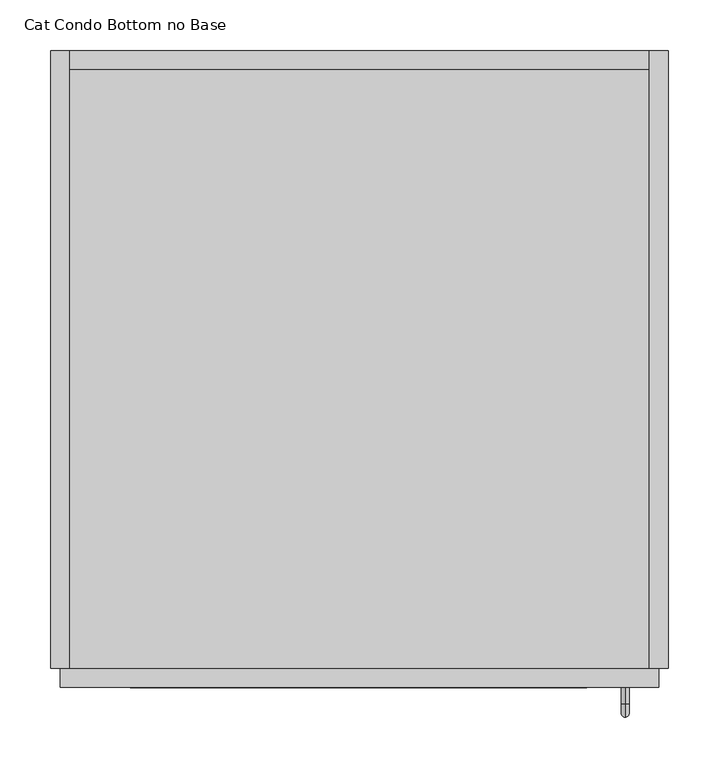
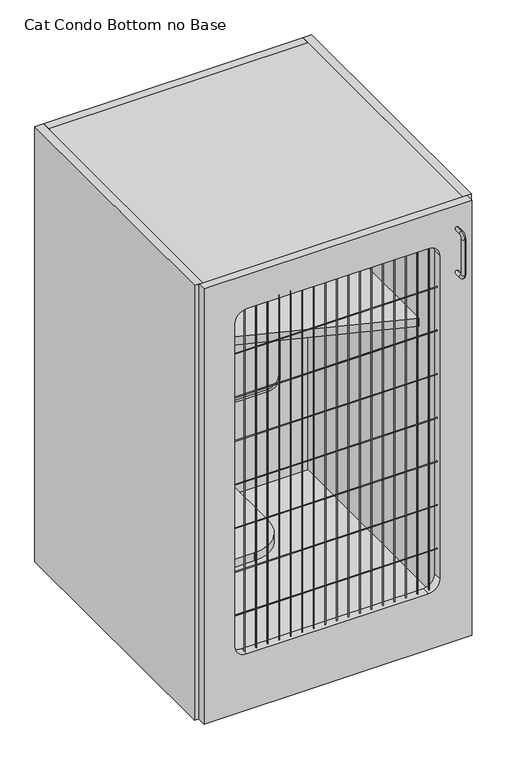
"""IFC4 building model written with IfcOpenShell, lengths in millimetres: proxy geometry, Cat Condo Bottom no Base."""

from ifc_helpers import new_model, si_unit, point, frame, frame_2d, origin, place, context, project, spatial, polyline, circle_curve, ellipse_curve, trimmed, segment, composite_curve, outline, extrude, source, transform, mapped, element, save
from ifc_brep_helpers import plane_surface, cylinder_surface, revolved_surface, advanced_brep


def cat_condo_bottom_no_base_3cb4c1c4(model_context):
    return source(origin(), model_context, "Body", "SolidModel", [
        advanced_brep(
        [(567.1128423, -19.05, 1056.5243154), (567.1128423, -19.05, 1064.3756846), (567.1128423, -35.2117768, 1056.5243154), (567.1128423, -35.2117768, 1064.3756846), (567.1128423, -48.3756846, 1051.2117768), (567.1128423, -40.5243154, 1051.2117768), (567.1128423, -40.5243154, 968.0882232), (567.1128423, -48.3756846, 968.0882232), (567.1128423, -35.2117768, 954.9243154), (567.1128423, -35.2117768, 962.7756846), (567.1128423, -19.05, 962.7756846), (567.1128423, -19.05, 954.9243154)],
        [
            (0, 1, circle_curve(frame((567.1128423, -19.05, 1060.45), z_axis=(0.0, 1.0, 0.0), x_axis=(0.0, 0.0, 1.0)), 3.9256846)),
            (1, 0, circle_curve(frame((567.1128423, -19.05, 1060.45), z_axis=(0.0, 1.0, 0.0), x_axis=(0.0, 0.0, 1.0)), 3.9256846)),
            (0, 2),
            (2, 3, circle_curve(frame((567.1128423, -35.2117768, 1060.45), z_axis=(0.0, 1.0, 0.0), x_axis=(0.0, 0.0, 1.0)), 3.9256846)),
            (3, 1),
            (3, 2, circle_curve(frame((567.1128423, -35.2117768, 1060.45), z_axis=(0.0, 1.0, 0.0), x_axis=(0.0, 0.0, 1.0)), 3.9256846)),
            (4, 3, circle_curve(frame((567.1128423, -35.2117768, 1051.2117768), z_axis=(-1.0, 0.0, 0.0), x_axis=(0.0, 0.0, 1.0)), 13.1639078)),
            (2, 5, circle_curve(frame((567.1128423, -35.2117768, 1051.2117768), z_axis=(1.0, 0.0, 0.0), x_axis=(0.0, 0.0, 1.0)), 5.3125387)),
            (5, 4, circle_curve(frame((567.1128423, -44.45, 1051.2117768), z_axis=(0.0, 0.0, 1.0), x_axis=(0.0, -1.0, 0.0)), 3.9256846)),
            (4, 5, circle_curve(frame((567.1128423, -44.45, 1051.2117768), z_axis=(0.0, 0.0, 1.0), x_axis=(0.0, -1.0, 0.0)), 3.9256846)),
            (5, 6),
            (6, 7, circle_curve(frame((567.1128423, -44.45, 968.0882232), z_axis=(0.0, 0.0, 1.0), x_axis=(0.0, -1.0, 0.0)), 3.9256846)),
            (7, 4),
            (7, 6, circle_curve(frame((567.1128423, -44.45, 968.0882232), z_axis=(0.0, 0.0, 1.0), x_axis=(0.0, -1.0, 0.0)), 3.9256846)),
            (8, 7, circle_curve(frame((567.1128423, -35.2117768, 968.0882232), z_axis=(-1.0, 0.0, 0.0), x_axis=(0.0, -1.0, 0.0)), 13.1639078)),
            (6, 9, circle_curve(frame((567.1128423, -35.2117768, 968.0882232), z_axis=(1.0, 0.0, 0.0), x_axis=(0.0, -1.0, 0.0)), 5.3125387)),
            (9, 8, circle_curve(frame((567.1128423, -35.2117768, 958.85), z_axis=(0.0, -1.0, 0.0), x_axis=(0.0, 0.0, -1.0)), 3.9256846)),
            (8, 9, circle_curve(frame((567.1128423, -35.2117768, 958.85), z_axis=(0.0, -1.0, 0.0), x_axis=(0.0, 0.0, -1.0)), 3.9256846)),
            (10, 11, circle_curve(frame((567.1128423, -19.05, 958.85), z_axis=(0.0, 1.0, 0.0), x_axis=(0.0, 0.0, -1.0)), 3.9256846)),
            (11, 10, circle_curve(frame((567.1128423, -19.05, 958.85), z_axis=(0.0, 1.0, 0.0), x_axis=(0.0, 0.0, -1.0)), 3.9256846)),
            (9, 10),
            (11, 8),
        ],
        [
            plane_surface(frame((567.1128423, -19.05, 1060.45), z_axis=(0.0, 1.0, 0.0), x_axis=(1.0, 0.0, 0.0))),
            cylinder_surface(frame((567.1128423, -19.05, 1060.45), z_axis=(0.0, 1.0, 0.0), x_axis=(0.0, 0.0, 1.0)), 3.9256846),
            revolved_surface(trimmed(ellipse_curve(frame((567.1128423, -35.2117768, 1060.45), z_axis=(0.0, 1.0, 0.0), x_axis=(0.0, 0.0, 1.0)), 3.9256846, 3.9256846), [point((567.1128423, -35.2117768, 1056.5243154))], [point((567.1128423, -35.2117768, 1064.3756846))], True, "CARTESIAN"), (567.1128423, -35.2117768, 1051.2117768), (1.0, 0.0, 0.0)),
            revolved_surface(trimmed(ellipse_curve(frame((567.1128423, -35.2117768, 1060.45), z_axis=(0.0, 1.0, 0.0), x_axis=(0.0, 0.0, 1.0)), 3.9256846, 3.9256846), [point((567.1128423, -35.2117768, 1064.3756846))], [point((567.1128423, -35.2117768, 1056.5243154))], True, "CARTESIAN"), (567.1128423, -35.2117768, 1051.2117768), (1.0, 0.0, 0.0)),
            cylinder_surface(frame((567.1128423, -44.45, 1051.2117768), z_axis=(0.0, 0.0, 1.0), x_axis=(0.0, -1.0, 0.0)), 3.9256846),
            revolved_surface(trimmed(ellipse_curve(frame((567.1128423, -44.45, 968.0882232), z_axis=(0.0, 0.0, 1.0), x_axis=(0.0, -1.0, 0.0)), 3.9256846, 3.9256846), [point((567.1128423, -40.5243154, 968.0882232))], [point((567.1128423, -48.3756846, 968.0882232))], True, "CARTESIAN"), (567.1128423, -35.2117768, 968.0882232), (1.0, 0.0, 0.0)),
            revolved_surface(trimmed(ellipse_curve(frame((567.1128423, -44.45, 968.0882232), z_axis=(0.0, 0.0, 1.0), x_axis=(0.0, -1.0, 0.0)), 3.9256846, 3.9256846), [point((567.1128423, -48.3756846, 968.0882232))], [point((567.1128423, -40.5243154, 968.0882232))], True, "CARTESIAN"), (567.1128423, -35.2117768, 968.0882232), (1.0, 0.0, 0.0)),
            plane_surface(frame((567.1128423, -19.05, 958.85), z_axis=(0.0, 1.0, 0.0), x_axis=(1.0, 0.0, 0.0))),
            cylinder_surface(frame((567.1128423, -35.2117768, 958.85), z_axis=(0.0, -1.0, 0.0), x_axis=(0.0, 0.0, -1.0)), 3.9256846),
        ],
        [
            (0, [[1, 2]]),
            (1, [[-1, 3, 4, 5]]),
            (1, [[-2, -5, 6, -3]]),
            (2, [[7, -4, 8, 9]]),
            (3, [[-8, -6, -7, 10]]),
            (4, [[-9, 11, 12, 13]]),
            (4, [[-10, -13, 14, -11]]),
            (5, [[15, -12, 16, 17]]),
            (6, [[-16, -14, -15, 18]]),
            (7, [[19, 20]]),
            (8, [[-17, 21, -20, 22]]),
            (8, [[-18, -22, -19, -21]]),
        ],
    ),
        extrude(outline(polyline([(590.55, 590.55), (590.55, 0.0), (19.05, 0.0), (19.05, 590.55), (590.55, 590.55)])), frame((0.0, 0.0, 1095.375), z_axis=(0.0, 0.0, 1.0), x_axis=(1.0, 0.0, 0.0)), (0.0, 0.0, 1.0), 19.05),
        extrude(outline(composite_curve([segment(polyline([(1035.05, 504.03125), (1035.05, 103.98125)]), True, "CONTINUOUS"), segment(trimmed(circle_curve(frame_2d((1009.65, 103.98125)), 25.4), [point((1035.05, 103.98125))], [point((1009.65, 78.58125))], False, "CARTESIAN"), True, "CONTINUOUS"), segment(polyline([(1009.65, 78.58125), (257.175, 78.58125)]), True, "CONTINUOUS"), segment(trimmed(circle_curve(frame_2d((257.175, 103.98125)), 25.4), [point((257.175, 78.58125))], [point((231.775, 103.98125))], False, "CARTESIAN"), True, "CONTINUOUS"), segment(polyline([(231.775, 103.98125), (231.775, 504.03125)]), True, "CONTINUOUS"), segment(trimmed(circle_curve(frame_2d((257.175, 504.03125)), 25.4), [point((231.775, 504.03125))], [point((257.175, 529.43125))], False, "CARTESIAN"), True, "CONTINUOUS"), segment(polyline([(257.175, 529.43125), (1009.65, 529.43125)]), True, "CONTINUOUS"), segment(trimmed(circle_curve(frame_2d((1009.65, 504.03125)), 25.4), [point((1009.65, 529.43125))], [point((1035.05, 504.03125))], False, "CARTESIAN"), True, "CONTINUOUS")], self_intersect=False)), frame((0.0, 596.9, 0.0), z_axis=(0.0, 1.0, 0.0), x_axis=(0.0, 0.0, 1.0)), (0.0, 0.0, 1.0), 6.35),
        extrude(outline(polyline([(1114.425, 590.55), (1114.425, 19.05), (101.6, 19.05), (101.6, 590.55), (1114.425, 590.55)]), holes=[composite_curve([segment(polyline([(1009.65, 529.43125), (358.775, 529.43125)]), True, "CONTINUOUS"), segment(trimmed(circle_curve(frame_2d((358.775, 504.03125)), 25.4), [point((358.775, 529.43125))], [point((333.375, 504.03125))], True, "CARTESIAN"), True, "CONTINUOUS"), segment(polyline([(333.375, 504.03125), (333.375, 103.98125)]), True, "CONTINUOUS"), segment(trimmed(circle_curve(frame_2d((358.775, 103.98125)), 25.4), [point((333.375, 103.98125))], [point((358.775, 78.58125))], True, "CARTESIAN"), True, "CONTINUOUS"), segment(polyline([(358.775, 78.58125), (1009.65, 78.58125)]), True, "CONTINUOUS"), segment(trimmed(circle_curve(frame_2d((1009.65, 103.98125)), 25.4), [point((1009.65, 78.58125))], [point((1035.05, 103.98125))], True, "CARTESIAN"), True, "CONTINUOUS"), segment(polyline([(1035.05, 103.98125), (1035.05, 504.03125)]), True, "CONTINUOUS"), segment(trimmed(circle_curve(frame_2d((1009.65, 504.03125)), 25.4), [point((1035.05, 504.03125))], [point((1009.65, 529.43125))], True, "CARTESIAN"), True, "CONTINUOUS")], self_intersect=False)]), frame((0.0, 590.55, 0.0), z_axis=(0.0, 1.0, 0.0), x_axis=(0.0, 0.0, 1.0)), (0.0, 0.0, 1.0), 19.05),
        extrude(outline(polyline([(590.55, 590.55), (590.55, 166.6410111), (19.05, 374.65), (19.05, 590.55), (590.55, 590.55)])), frame((0.0, 0.0, 711.2), z_axis=(0.0, 0.0, 1.0), x_axis=(1.0, 0.0, 0.0)), (0.0, 0.0, 1.0), 19.05),
        extrude(outline(composite_curve([segment(polyline([(222.25, 590.55), (222.25, 101.6)]), True, "CONTINUOUS"), segment(trimmed(circle_curve(frame_2d((146.05, 101.6)), 76.2), [point((222.25, 101.6))], [point((146.05, 25.4))], False, "CARTESIAN"), True, "CONTINUOUS"), segment(polyline([(146.05, 25.4), (19.05, 25.4), (19.05, 590.55), (222.25, 590.55)]), True, "CONTINUOUS")], self_intersect=False)), frame((0.0, 0.0, 406.4), z_axis=(0.0, 0.0, 1.0), x_axis=(1.0, 0.0, 0.0)), (0.0, 0.0, 1.0), 19.05),
        extrude(outline(polyline([(590.55, 0.0), (19.05, 0.0), (19.05, 590.55), (590.55, 590.55), (590.55, 0.0)])), frame((0.0, 0.0, 101.6), z_axis=(0.0, 0.0, 1.0), x_axis=(1.0, 0.0, 0.0)), (0.0, 0.0, 1.0), 19.05),
        extrude(outline(polyline([(590.55, 609.6), (609.6, 609.6), (609.6, 0.0), (590.55, 0.0), (590.55, 609.6)])), frame((0.0, 0.0, 101.6), z_axis=(0.0, 0.0, 1.0), x_axis=(1.0, 0.0, 0.0)), (0.0, 0.0, 1.0), 1012.825),
        extrude(outline(polyline([(19.05, 609.6), (19.05, 0.0), (0.0, 0.0), (0.0, 609.6), (19.05, 609.6)])), frame((0.0, 0.0, 101.6), z_axis=(0.0, 0.0, 1.0), x_axis=(1.0, 0.0, 0.0)), (0.0, 0.0, 1.0), 1012.825),
        extrude(outline(composite_curve([segment(trimmed(circle_curve(frame_2d((-9.6602248, 931.8625)), 0.79375), [point((-9.6602248, 932.65625))], [point((-9.6602248, 931.06875))], False, "CARTESIAN"), True, "CONTINUOUS"), segment(trimmed(circle_curve(frame_2d((-9.6602248, 931.8625)), 0.79375), [point((-9.6602248, 931.06875))], [point((-9.6602248, 932.65625))], False, "CARTESIAN"), True, "CONTINUOUS")], self_intersect=False)), frame((78.58125, 0.0, 0.0), z_axis=(1.0, 0.0, 0.0), x_axis=(0.0, 1.0, 0.0)), (0.0, 0.0, 1.0), 450.85),
        extrude(outline(composite_curve([segment(trimmed(circle_curve(frame_2d((-9.6602248, 830.2625)), 0.79375), [point((-9.6602248, 831.05625))], [point((-9.6602248, 829.46875))], False, "CARTESIAN"), True, "CONTINUOUS"), segment(trimmed(circle_curve(frame_2d((-9.6602248, 830.2625)), 0.79375), [point((-9.6602248, 829.46875))], [point((-9.6602248, 831.05625))], False, "CARTESIAN"), True, "CONTINUOUS")], self_intersect=False)), frame((78.58125, 0.0, 0.0), z_axis=(1.0, 0.0, 0.0), x_axis=(0.0, 1.0, 0.0)), (0.0, 0.0, 1.0), 450.85),
        extrude(outline(composite_curve([segment(trimmed(circle_curve(frame_2d((-9.6602248, 728.6625)), 0.79375), [point((-9.6602248, 729.45625))], [point((-9.6602248, 727.86875))], False, "CARTESIAN"), True, "CONTINUOUS"), segment(trimmed(circle_curve(frame_2d((-9.6602248, 728.6625)), 0.79375), [point((-9.6602248, 727.86875))], [point((-9.6602248, 729.45625))], False, "CARTESIAN"), True, "CONTINUOUS")], self_intersect=False)), frame((78.58125, 0.0, 0.0), z_axis=(1.0, 0.0, 0.0), x_axis=(0.0, 1.0, 0.0)), (0.0, 0.0, 1.0), 450.85),
        extrude(outline(composite_curve([segment(trimmed(circle_curve(frame_2d((-9.6602248, 627.0625)), 0.79375), [point((-9.6602248, 627.85625))], [point((-9.6602248, 626.26875))], False, "CARTESIAN"), True, "CONTINUOUS"), segment(trimmed(circle_curve(frame_2d((-9.6602248, 627.0625)), 0.79375), [point((-9.6602248, 626.26875))], [point((-9.6602248, 627.85625))], False, "CARTESIAN"), True, "CONTINUOUS")], self_intersect=False)), frame((78.58125, 0.0, 0.0), z_axis=(1.0, 0.0, 0.0), x_axis=(0.0, 1.0, 0.0)), (0.0, 0.0, 1.0), 450.85),
        extrude(outline(composite_curve([segment(trimmed(circle_curve(frame_2d((-9.6602248, 525.4625)), 0.79375), [point((-9.6602248, 526.25625))], [point((-9.6602248, 524.66875))], False, "CARTESIAN"), True, "CONTINUOUS"), segment(trimmed(circle_curve(frame_2d((-9.6602248, 525.4625)), 0.79375), [point((-9.6602248, 524.66875))], [point((-9.6602248, 526.25625))], False, "CARTESIAN"), True, "CONTINUOUS")], self_intersect=False)), frame((78.58125, 0.0, 0.0), z_axis=(1.0, 0.0, 0.0), x_axis=(0.0, 1.0, 0.0)), (0.0, 0.0, 1.0), 450.85),
        extrude(outline(composite_curve([segment(trimmed(circle_curve(frame_2d((-9.6602248, 423.8625)), 0.79375), [point((-9.6602248, 424.65625))], [point((-9.6602248, 423.06875))], False, "CARTESIAN"), True, "CONTINUOUS"), segment(trimmed(circle_curve(frame_2d((-9.6602248, 423.8625)), 0.79375), [point((-9.6602248, 423.06875))], [point((-9.6602248, 424.65625))], False, "CARTESIAN"), True, "CONTINUOUS")], self_intersect=False)), frame((78.58125, 0.0, 0.0), z_axis=(1.0, 0.0, 0.0), x_axis=(0.0, 1.0, 0.0)), (0.0, 0.0, 1.0), 450.85),
        extrude(outline(composite_curve([segment(trimmed(circle_curve(frame_2d((-9.6602248, 322.2625)), 0.79375), [point((-9.6602248, 323.05625))], [point((-9.6602248, 321.46875))], False, "CARTESIAN"), True, "CONTINUOUS"), segment(trimmed(circle_curve(frame_2d((-9.6602248, 322.2625)), 0.79375), [point((-9.6602248, 321.46875))], [point((-9.6602248, 323.05625))], False, "CARTESIAN"), True, "CONTINUOUS")], self_intersect=False)), frame((78.58125, 0.0, 0.0), z_axis=(1.0, 0.0, 0.0), x_axis=(0.0, 1.0, 0.0)), (0.0, 0.0, 1.0), 450.85),
        extrude(outline(composite_curve([segment(trimmed(circle_curve(frame_2d((511.0919665, -9.6602248)), 0.79375), [point((510.2982165, -9.6602248))], [point((511.8857165, -9.6602248))], False, "CARTESIAN"), True, "CONTINUOUS"), segment(trimmed(circle_curve(frame_2d((511.0919665, -9.6602248)), 0.79375), [point((511.8857165, -9.6602248))], [point((510.2982165, -9.6602248))], False, "CARTESIAN"), True, "CONTINUOUS")], self_intersect=False)), frame((0.0, 0.0, 231.775), z_axis=(0.0, 0.0, 1.0), x_axis=(1.0, 0.0, 0.0)), (0.0, 0.0, 1.0), 803.275),
        extrude(outline(composite_curve([segment(trimmed(circle_curve(frame_2d((485.6919665, -9.6602248)), 0.79375), [point((484.8982165, -9.6602248))], [point((486.4857165, -9.6602248))], False, "CARTESIAN"), True, "CONTINUOUS"), segment(trimmed(circle_curve(frame_2d((485.6919665, -9.6602248)), 0.79375), [point((486.4857165, -9.6602248))], [point((484.8982165, -9.6602248))], False, "CARTESIAN"), True, "CONTINUOUS")], self_intersect=False)), frame((0.0, 0.0, 231.775), z_axis=(0.0, 0.0, 1.0), x_axis=(1.0, 0.0, 0.0)), (0.0, 0.0, 1.0), 803.275),
        extrude(outline(composite_curve([segment(trimmed(circle_curve(frame_2d((460.2919665, -9.6602248)), 0.79375), [point((459.4982165, -9.6602248))], [point((461.0857165, -9.6602248))], False, "CARTESIAN"), True, "CONTINUOUS"), segment(trimmed(circle_curve(frame_2d((460.2919665, -9.6602248)), 0.79375), [point((461.0857165, -9.6602248))], [point((459.4982165, -9.6602248))], False, "CARTESIAN"), True, "CONTINUOUS")], self_intersect=False)), frame((0.0, 0.0, 231.775), z_axis=(0.0, 0.0, 1.0), x_axis=(1.0, 0.0, 0.0)), (0.0, 0.0, 1.0), 803.275),
        extrude(outline(composite_curve([segment(trimmed(circle_curve(frame_2d((434.8919665, -9.6602248)), 0.79375), [point((434.0982165, -9.6602248))], [point((435.6857165, -9.6602248))], False, "CARTESIAN"), True, "CONTINUOUS"), segment(trimmed(circle_curve(frame_2d((434.8919665, -9.6602248)), 0.79375), [point((435.6857165, -9.6602248))], [point((434.0982165, -9.6602248))], False, "CARTESIAN"), True, "CONTINUOUS")], self_intersect=False)), frame((0.0, 0.0, 231.775), z_axis=(0.0, 0.0, 1.0), x_axis=(1.0, 0.0, 0.0)), (0.0, 0.0, 1.0), 803.275),
        extrude(outline(composite_curve([segment(trimmed(circle_curve(frame_2d((409.4919665, -9.6602248)), 0.79375), [point((408.6982165, -9.6602248))], [point((410.2857165, -9.6602248))], False, "CARTESIAN"), True, "CONTINUOUS"), segment(trimmed(circle_curve(frame_2d((409.4919665, -9.6602248)), 0.79375), [point((410.2857165, -9.6602248))], [point((408.6982165, -9.6602248))], False, "CARTESIAN"), True, "CONTINUOUS")], self_intersect=False)), frame((0.0, 0.0, 231.775), z_axis=(0.0, 0.0, 1.0), x_axis=(1.0, 0.0, 0.0)), (0.0, 0.0, 1.0), 803.275),
        extrude(outline(composite_curve([segment(trimmed(circle_curve(frame_2d((384.0919665, -9.6602248)), 0.79375), [point((383.2982165, -9.6602248))], [point((384.8857165, -9.6602248))], False, "CARTESIAN"), True, "CONTINUOUS"), segment(trimmed(circle_curve(frame_2d((384.0919665, -9.6602248)), 0.79375), [point((384.8857165, -9.6602248))], [point((383.2982165, -9.6602248))], False, "CARTESIAN"), True, "CONTINUOUS")], self_intersect=False)), frame((0.0, 0.0, 231.775), z_axis=(0.0, 0.0, 1.0), x_axis=(1.0, 0.0, 0.0)), (0.0, 0.0, 1.0), 803.275),
        extrude(outline(composite_curve([segment(trimmed(circle_curve(frame_2d((358.6919665, -9.6602248)), 0.79375), [point((357.8982165, -9.6602248))], [point((359.4857165, -9.6602248))], False, "CARTESIAN"), True, "CONTINUOUS"), segment(trimmed(circle_curve(frame_2d((358.6919665, -9.6602248)), 0.79375), [point((359.4857165, -9.6602248))], [point((357.8982165, -9.6602248))], False, "CARTESIAN"), True, "CONTINUOUS")], self_intersect=False)), frame((0.0, 0.0, 231.775), z_axis=(0.0, 0.0, 1.0), x_axis=(1.0, 0.0, 0.0)), (0.0, 0.0, 1.0), 803.275),
        extrude(outline(composite_curve([segment(trimmed(circle_curve(frame_2d((333.2919665, -9.6602248)), 0.79375), [point((332.4982165, -9.6602248))], [point((334.0857165, -9.6602248))], False, "CARTESIAN"), True, "CONTINUOUS"), segment(trimmed(circle_curve(frame_2d((333.2919665, -9.6602248)), 0.79375), [point((334.0857165, -9.6602248))], [point((332.4982165, -9.6602248))], False, "CARTESIAN"), True, "CONTINUOUS")], self_intersect=False)), frame((0.0, 0.0, 231.775), z_axis=(0.0, 0.0, 1.0), x_axis=(1.0, 0.0, 0.0)), (0.0, 0.0, 1.0), 803.275),
        extrude(outline(composite_curve([segment(trimmed(circle_curve(frame_2d((307.8919665, -9.6602248)), 0.79375), [point((307.0982165, -9.6602248))], [point((308.6857165, -9.6602248))], False, "CARTESIAN"), True, "CONTINUOUS"), segment(trimmed(circle_curve(frame_2d((307.8919665, -9.6602248)), 0.79375), [point((308.6857165, -9.6602248))], [point((307.0982165, -9.6602248))], False, "CARTESIAN"), True, "CONTINUOUS")], self_intersect=False)), frame((0.0, 0.0, 231.775), z_axis=(0.0, 0.0, 1.0), x_axis=(1.0, 0.0, 0.0)), (0.0, 0.0, 1.0), 803.275),
        extrude(outline(composite_curve([segment(trimmed(circle_curve(frame_2d((282.4919665, -9.6602248)), 0.79375), [point((281.6982165, -9.6602248))], [point((283.2857165, -9.6602248))], False, "CARTESIAN"), True, "CONTINUOUS"), segment(trimmed(circle_curve(frame_2d((282.4919665, -9.6602248)), 0.79375), [point((283.2857165, -9.6602248))], [point((281.6982165, -9.6602248))], False, "CARTESIAN"), True, "CONTINUOUS")], self_intersect=False)), frame((0.0, 0.0, 231.775), z_axis=(0.0, 0.0, 1.0), x_axis=(1.0, 0.0, 0.0)), (0.0, 0.0, 1.0), 803.275),
        extrude(outline(composite_curve([segment(trimmed(circle_curve(frame_2d((257.0919665, -9.6602248)), 0.79375), [point((256.2982165, -9.6602248))], [point((257.8857165, -9.6602248))], False, "CARTESIAN"), True, "CONTINUOUS"), segment(trimmed(circle_curve(frame_2d((257.0919665, -9.6602248)), 0.79375), [point((257.8857165, -9.6602248))], [point((256.2982165, -9.6602248))], False, "CARTESIAN"), True, "CONTINUOUS")], self_intersect=False)), frame((0.0, 0.0, 231.775), z_axis=(0.0, 0.0, 1.0), x_axis=(1.0, 0.0, 0.0)), (0.0, 0.0, 1.0), 803.275),
        extrude(outline(composite_curve([segment(trimmed(circle_curve(frame_2d((231.6919665, -9.6602248)), 0.79375), [point((230.8982165, -9.6602248))], [point((232.4857165, -9.6602248))], False, "CARTESIAN"), True, "CONTINUOUS"), segment(trimmed(circle_curve(frame_2d((231.6919665, -9.6602248)), 0.79375), [point((232.4857165, -9.6602248))], [point((230.8982165, -9.6602248))], False, "CARTESIAN"), True, "CONTINUOUS")], self_intersect=False)), frame((0.0, 0.0, 231.775), z_axis=(0.0, 0.0, 1.0), x_axis=(1.0, 0.0, 0.0)), (0.0, 0.0, 1.0), 803.275),
        extrude(outline(composite_curve([segment(trimmed(circle_curve(frame_2d((206.2919665, -9.6602248)), 0.79375), [point((205.4982165, -9.6602248))], [point((207.0857165, -9.6602248))], False, "CARTESIAN"), True, "CONTINUOUS"), segment(trimmed(circle_curve(frame_2d((206.2919665, -9.6602248)), 0.79375), [point((207.0857165, -9.6602248))], [point((205.4982165, -9.6602248))], False, "CARTESIAN"), True, "CONTINUOUS")], self_intersect=False)), frame((0.0, 0.0, 231.775), z_axis=(0.0, 0.0, 1.0), x_axis=(1.0, 0.0, 0.0)), (0.0, 0.0, 1.0), 803.275),
        extrude(outline(composite_curve([segment(trimmed(circle_curve(frame_2d((180.8919665, -9.6602248)), 0.79375), [point((180.0982165, -9.6602248))], [point((181.6857165, -9.6602248))], False, "CARTESIAN"), True, "CONTINUOUS"), segment(trimmed(circle_curve(frame_2d((180.8919665, -9.6602248)), 0.79375), [point((181.6857165, -9.6602248))], [point((180.0982165, -9.6602248))], False, "CARTESIAN"), True, "CONTINUOUS")], self_intersect=False)), frame((0.0, 0.0, 231.775), z_axis=(0.0, 0.0, 1.0), x_axis=(1.0, 0.0, 0.0)), (0.0, 0.0, 1.0), 803.275),
        extrude(outline(composite_curve([segment(trimmed(circle_curve(frame_2d((155.4919665, -9.6602248)), 0.79375), [point((154.6982165, -9.6602248))], [point((156.2857165, -9.6602248))], False, "CARTESIAN"), True, "CONTINUOUS"), segment(trimmed(circle_curve(frame_2d((155.4919665, -9.6602248)), 0.79375), [point((156.2857165, -9.6602248))], [point((154.6982165, -9.6602248))], False, "CARTESIAN"), True, "CONTINUOUS")], self_intersect=False)), frame((0.0, 0.0, 231.775), z_axis=(0.0, 0.0, 1.0), x_axis=(1.0, 0.0, 0.0)), (0.0, 0.0, 1.0), 803.275),
        extrude(outline(composite_curve([segment(trimmed(circle_curve(frame_2d((130.0919665, -9.6602248)), 0.79375), [point((129.2982165, -9.6602248))], [point((130.8857165, -9.6602248))], False, "CARTESIAN"), True, "CONTINUOUS"), segment(trimmed(circle_curve(frame_2d((130.0919665, -9.6602248)), 0.79375), [point((130.8857165, -9.6602248))], [point((129.2982165, -9.6602248))], False, "CARTESIAN"), True, "CONTINUOUS")], self_intersect=False)), frame((0.0, 0.0, 231.775), z_axis=(0.0, 0.0, 1.0), x_axis=(1.0, 0.0, 0.0)), (0.0, 0.0, 1.0), 803.275),
        extrude(outline(composite_curve([segment(trimmed(circle_curve(frame_2d((104.6919665, -9.6602248)), 0.79375), [point((103.8982165, -9.6602248))], [point((105.4857165, -9.6602248))], False, "CARTESIAN"), True, "CONTINUOUS"), segment(trimmed(circle_curve(frame_2d((104.6919665, -9.6602248)), 0.79375), [point((105.4857165, -9.6602248))], [point((103.8982165, -9.6602248))], False, "CARTESIAN"), True, "CONTINUOUS")], self_intersect=False)), frame((0.0, 0.0, 231.775), z_axis=(0.0, 0.0, 1.0), x_axis=(1.0, 0.0, 0.0)), (0.0, 0.0, 1.0), 803.275),
        extrude(outline(polyline([(1114.425, 600.075), (1114.425, 9.525), (101.6, 9.525), (101.6, 600.075), (1114.425, 600.075)]), holes=[composite_curve([segment(polyline([(1035.05, 103.98125), (1035.05, 504.03125)]), True, "CONTINUOUS"), segment(trimmed(circle_curve(frame_2d((1009.65, 504.03125)), 25.4), [point((1035.05, 504.03125))], [point((1009.65, 529.43125))], True, "CARTESIAN"), True, "CONTINUOUS"), segment(polyline([(1009.65, 529.43125), (257.175, 529.43125)]), True, "CONTINUOUS"), segment(trimmed(circle_curve(frame_2d((257.175, 504.03125)), 25.4), [point((257.175, 529.43125))], [point((231.775, 504.03125))], True, "CARTESIAN"), True, "CONTINUOUS"), segment(polyline([(231.775, 504.03125), (231.775, 103.98125)]), True, "CONTINUOUS"), segment(trimmed(circle_curve(frame_2d((257.175, 103.98125)), 25.4), [point((231.775, 103.98125))], [point((257.175, 78.58125))], True, "CARTESIAN"), True, "CONTINUOUS"), segment(polyline([(257.175, 78.58125), (1009.65, 78.58125)]), True, "CONTINUOUS"), segment(trimmed(circle_curve(frame_2d((1009.65, 103.98125)), 25.4), [point((1009.65, 78.58125))], [point((1035.05, 103.98125))], True, "CARTESIAN"), True, "CONTINUOUS")], self_intersect=False)]), frame((0.0, -19.05, 0.0), z_axis=(0.0, 1.0, 0.0), x_axis=(0.0, 0.0, 1.0)), (0.0, 0.0, 1.0), 19.05),
    ])


if __name__ == "__main__":
    model = new_model("IFC4")
    model_context = context("Model", 3, world=origin())
    ifc_project = project(units=[si_unit("LENGTHUNIT", "METRE", prefix="MILLI")], contexts=[model_context])
    site = spatial("IfcSite", under=ifc_project)
    building = spatial("IfcBuilding", under=site)
    placement = place(None, origin())
    cat_condo_bottom_no_base_shape = cat_condo_bottom_no_base_3cb4c1c4(model_context)
    element("IfcBuildingElementProxy", 1, Name="Cat Condo Bottom no Base", ObjectType="Cat Condo Bottom no Base", at=placement, inside=building, context=model_context, shape_type="MappedRepresentation", body=[
        mapped(cat_condo_bottom_no_base_shape, transform((0.0, 0.0, 0.0), x_axis=(1.0, 0.0, 0.0), y_axis=(0.0, 1.0, 0.0), z_axis=(0.0, 0.0, 1.0))),
    ])
    save(model, "model.ifc")
